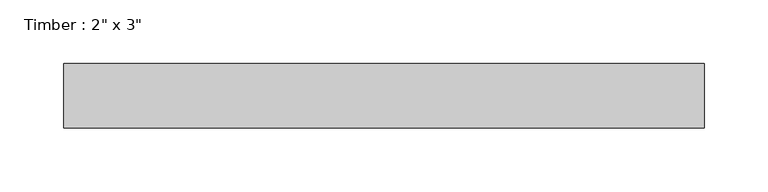
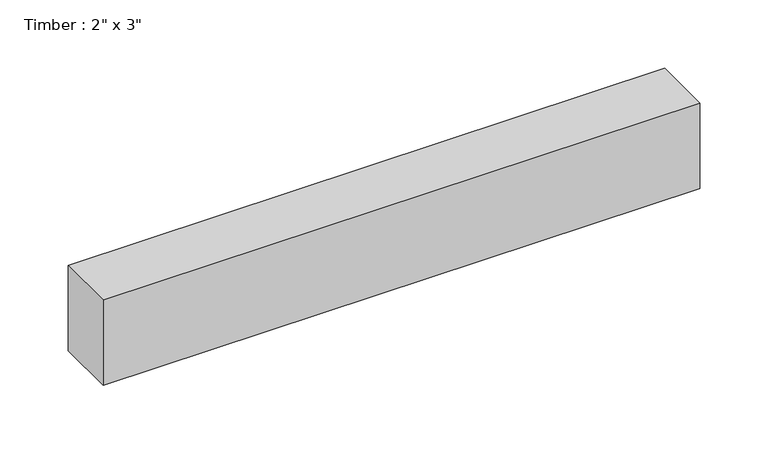
"""IFC4 building model written with IfcOpenShell, lengths in millimetres: beam geometry."""

import ifcopenshell
import ifcopenshell.guid

model = None  # the IFC model being written
_history = None  # IfcOwnerHistory: only IFC2X3 demands one
_inside = {}  # id of a spatial element -> (the spatial element, [elements in it])
_under = {}  # id of a project, library or spatial element -> (it, [spatial elements below it])
_declared = {}  # id of a project -> (the project, [libraries it declares])
_typed = {}  # id of a type object -> (the type object, [elements of that type])
_made_of = {}  # id of a material, layer set ... -> (it, [elements and type objects made of it])


def new_model(schema):
    """Start an empty IFC model of exactly this schema.

    Asked for "IFC4X3", IfcOpenShell would pick the latest addendum, in which some entities
    have other attributes; the version numbers below select the first issue.
    IFC2X3 requires an IfcOwnerHistory on every rooted entity: one is made here for all.
    """
    global model, _history
    if schema == "IFC4X3":
        model = ifcopenshell.file(schema_version=(4, 3, 0, 0))
    else:
        model = ifcopenshell.file(schema=schema)
    _inside.clear()
    _under.clear()
    _declared.clear()
    _typed.clear()
    _made_of.clear()
    _history = None
    if model.schema == "IFC2X3":
        org = make("IfcOrganization", Name="unknown")
        user = make(
            "IfcPersonAndOrganization",
            ThePerson=make("IfcPerson", FamilyName="unknown"),
            TheOrganization=org,
        )
        app = make(
            "IfcApplication",
            ApplicationDeveloper=org,
            Version="unknown",
            ApplicationFullName="unknown",
            ApplicationIdentifier="unknown",
        )
        _history = make(
            "IfcOwnerHistory",
            OwningUser=user,
            OwningApplication=app,
            ChangeAction="ADDED",
            CreationDate=0,
        )
    return model


def make(cls, **values):
    """One entity of the class cls with the attributes given. An attribute that is None is left unset."""
    return model.create_entity(
        cls, **{name: value for name, value in values.items() if value is not None}
    )


def rooted(cls, **values):
    """An entity with a GlobalId (a new one), such as an element, a storey or a relation."""
    return make(cls, GlobalId=ifcopenshell.guid.new(), OwnerHistory=_history, **values)


def si_unit(unit_type, name, prefix=None):
    """IfcSIUnit, for example si_unit("LENGTHUNIT", "METRE", prefix="MILLI")."""
    return make("IfcSIUnit", UnitType=unit_type, Prefix=prefix, Name=name)


def assignment(units):
    """IfcUnitAssignment: the units of a project."""
    return None if units is None else make("IfcUnitAssignment", Units=units)


def point(xyz):
    """IfcCartesianPoint."""
    return None if xyz is None else make("IfcCartesianPoint", Coordinates=xyz)


def direction(xyz):
    """IfcDirection."""
    return None if xyz is None else make("IfcDirection", DirectionRatios=xyz)


def frame(location, z_axis=None, x_axis=None):
    """IfcAxis2Placement3D, a coordinate frame: its origin and axes. An axis left out is left unset."""
    return make(
        "IfcAxis2Placement3D",
        Location=point(location),
        Axis=direction(z_axis),
        RefDirection=direction(x_axis),
    )


def origin():
    """The frame at (0, 0, 0) with its axes left unset."""
    return frame((0.0, 0.0, 0.0))


def place(relative_to, where):
    """IfcLocalPlacement: puts the frame where relative to a parent placement (None: the world)."""
    return make(
        "IfcLocalPlacement", PlacementRelTo=relative_to, RelativePlacement=where
    )


def context(
    kind, dimensions, precision=None, world=None, true_north=None, identifier=None
):
    """IfcGeometricRepresentationContext, for example the 3D "Model" context."""
    return make(
        "IfcGeometricRepresentationContext",
        ContextIdentifier=identifier,
        ContextType=kind,
        CoordinateSpaceDimension=dimensions,
        Precision=precision,
        WorldCoordinateSystem=world,
        TrueNorth=true_north,
    )


def project(units=None, contexts=None):
    """IfcProject with its units and contexts."""
    return rooted(
        "IfcProject",
        Name="project",
        RepresentationContexts=contexts,
        UnitsInContext=assignment(units),
    )


def spatial(cls, under=None, at=None, **own):
    """A site, building, storey or space (cls), placed at a placement, below another one or the project."""
    s = rooted(cls, ObjectPlacement=at, **own)
    if under is not None:
        _under.setdefault(under.id(), (under, []))[1].append(s)
    return s


def polyline(points):
    """IfcPolyline through the points."""
    return make("IfcPolyline", Points=[point(p) for p in points])


def outline(outer, holes=None, kind="AREA"):
    """IfcArbitraryClosedProfileDef: a profile drawn as a closed curve; with holes, ...WithVoids."""
    if holes is None:
        return make("IfcArbitraryClosedProfileDef", ProfileType=kind, OuterCurve=outer)
    return make(
        "IfcArbitraryProfileDefWithVoids",
        ProfileType=kind,
        OuterCurve=outer,
        InnerCurves=holes,
    )


def extrude(swept, where, along, depth):
    """IfcExtrudedAreaSolid: the profile swept, set in the frame where, extruded along a direction by depth."""
    return make(
        "IfcExtrudedAreaSolid",
        SweptArea=swept,
        Position=where,
        ExtrudedDirection=direction(along),
        Depth=depth,
    )


def shape(context_of_items, identifier, shape_type, items):
    """IfcShapeRepresentation: the items that make up one representation, for example the "Body"."""
    return make(
        "IfcShapeRepresentation",
        ContextOfItems=context_of_items,
        RepresentationIdentifier=identifier,
        RepresentationType=shape_type,
        Items=items,
    )


def source(mapping_origin, context_of_items, identifier, shape_type, items):
    """IfcRepresentationMap: a shape defined once, which mapped items show again and again."""
    return make(
        "IfcRepresentationMap",
        MappingOrigin=mapping_origin,
        MappedRepresentation=shape(context_of_items, identifier, shape_type, items),
    )


def transform(
    local_origin,
    x_axis=None,
    y_axis=None,
    z_axis=None,
    scale=None,
    scale2=None,
    scale3=None,
    uniform=True,
):
    """IfcCartesianTransformationOperator3D, or its non-uniform kind. x_axis, y_axis, z_axis: its Axis1, 2, 3."""
    if uniform:
        return make(
            "IfcCartesianTransformationOperator3D",
            Axis1=direction(x_axis),
            Axis2=direction(y_axis),
            LocalOrigin=point(local_origin),
            Scale=scale,
            Axis3=direction(z_axis),
        )
    return make(
        "IfcCartesianTransformationOperator3DnonUniform",
        Axis1=direction(x_axis),
        Axis2=direction(y_axis),
        LocalOrigin=point(local_origin),
        Scale=scale,
        Axis3=direction(z_axis),
        Scale2=scale2,
        Scale3=scale3,
    )


def mapped(mapping_source, mapping_target):
    """IfcMappedItem: shows the shape of a source again, moved by a transform."""
    return make(
        "IfcMappedItem", MappingSource=mapping_source, MappingTarget=mapping_target
    )


def made_of(thing, what):
    """Note that an element or type object is made of a material, layer set ...; save() writes the relation."""
    if what is not None:
        _made_of.setdefault(what.id(), (what, []))[1].append(thing)
    return thing


def element(
    cls,
    number,
    at=None,
    inside=None,
    cuts=None,
    type_object=None,
    material=None,
    context=None,
    identifier="Body",
    shape_type=None,
    held_by="IfcProductDefinitionShape",
    body=None,
    shapes=None,
    **own,
):
    """One element of the class cls, such as IfcWall. Its Tag is "e" and its number.

    at: its placement. inside: the storey or other place that contains it. cuts: it is an
    opening in that element (IfcRelVoidsElement). A single representation is given by context,
    identifier, shape_type and body (its items); several are given by shapes. held_by: the class
    of the entity that holds the representations. save() writes the other relations.
    """
    e = rooted(cls, Tag="e%d" % number, ObjectPlacement=at, **own)
    if body is not None:
        shapes = [shape(context, identifier, shape_type, body)]
    if shapes is not None:
        e.Representation = make(held_by, Representations=shapes)
    if inside is not None:
        _inside.setdefault(inside.id(), (inside, []))[1].append(e)
    if cuts is not None:
        rooted(
            "IfcRelVoidsElement", RelatingBuildingElement=cuts, RelatedOpeningElement=e
        )
    if type_object is not None:
        _typed.setdefault(type_object.id(), (type_object, []))[1].append(e)
    return made_of(e, material)


def aggregate(whole, parts):
    """IfcRelAggregates: a whole, such as a stair, and the parts it consists of."""
    return rooted("IfcRelAggregates", RelatingObject=whole, RelatedObjects=parts)


def save(model, path):
    """Write the relations noted so far, then the file.

    IfcRelAggregates (storeys below a building ...), IfcRelContainedInSpatialStructure (elements
    in a storey), IfcRelDefinesByType, IfcRelAssociatesMaterial and IfcRelDeclares: one each for
    every whole, place, type object, material and project.
    """
    for whole, parts in _under.values():
        aggregate(whole, parts)
    for where, things in _inside.values():
        rooted(
            "IfcRelContainedInSpatialStructure",
            RelatedElements=things,
            RelatingStructure=where,
        )
    for kind, things in _typed.values():
        rooted("IfcRelDefinesByType", RelatedObjects=things, RelatingType=kind)
    for what, things in _made_of.values():
        rooted("IfcRelAssociatesMaterial", RelatedObjects=things, RelatingMaterial=what)
    for by, libraries in _declared.values():
        rooted("IfcRelDeclares", RelatingContext=by, RelatedDefinitions=libraries)
    model.write(path)


def beam_9896b129(model_context):
    return source(origin(), model_context, "Body", "SweptSolid", [
        extrude(outline(polyline([(251.3901686, 25.4), (251.3901686, -25.4), (-251.3901686, -25.4), (-251.3901686, 25.4), (251.3901686, 25.4)])), frame((0.0, 0.0, -38.1), z_axis=(0.0, 0.0, 1.0), x_axis=(1.0, 0.0, 0.0)), (0.0, 0.0, 1.0), 76.2),
    ])


if __name__ == "__main__":
    model = new_model("IFC4")
    model_context = context("Model", 3, world=origin())
    ifc_project = project(units=[si_unit("LENGTHUNIT", "METRE", prefix="MILLI")], contexts=[model_context])
    site = spatial("IfcSite", under=ifc_project)
    building = spatial("IfcBuilding", under=site)
    placement = place(None, origin())
    beam_shape = beam_9896b129(model_context)
    element("IfcBeam", 1, ObjectType="Timber : 2\" x 3\"", at=placement, inside=building, context=model_context, shape_type="MappedRepresentation", body=[
        mapped(beam_shape, transform((0.0, 0.0, 0.0), x_axis=(1.0, 0.0, 0.0), y_axis=(0.0, 1.0, 0.0), z_axis=(0.0, 0.0, 1.0))),
    ])
    save(model, "model.ifc")
